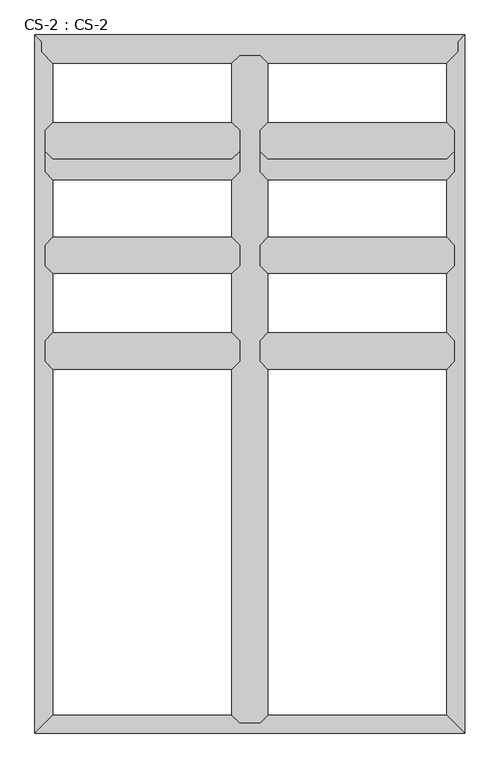
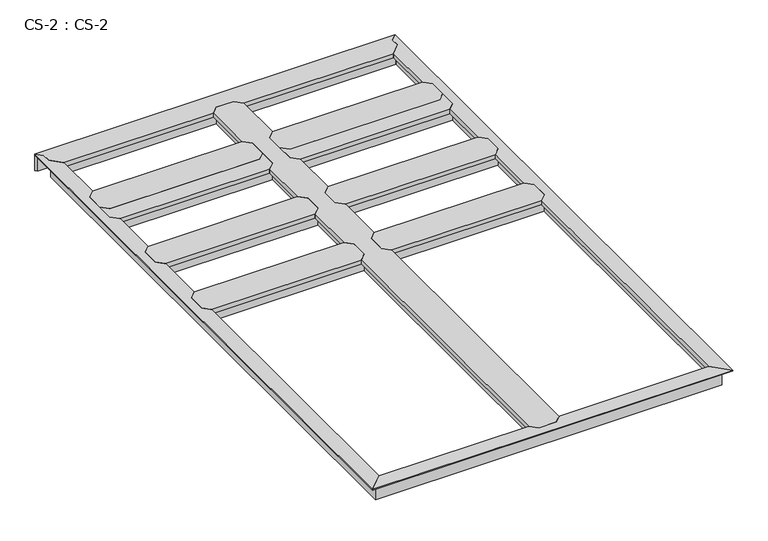
"""IFC4 building model written with IfcOpenShell, lengths in millimetres: proxy geometry, CS-2 : CS-2."""

from ifc_helpers import new_model, si_unit, origin, place, context, project, spatial, faceted_brep, source, transform, mapped, element, save


def cs_2_cs_2_592bdc52(model_context):
    return source(origin(), model_context, "Body", "Brep", [
        faceted_brep([(1338.5802032, 1856.74, 46.355), (1338.5802032, 1856.74, 0.0), (1338.5802032, 1863.725, 0.0), (1338.5802032, 1863.725, 63.5), (1338.5802032, 1915.795, 63.5), (1338.5802032, 1915.795, 0.0), (1338.5802032, 1922.78, 0.0), (1338.5802032, 1922.78, 46.355), (1338.5802032, 1922.78, 66.675), (1338.5802032, 1856.74, 66.675), (718.8208941, 1922.78, 46.355), (718.8208941, 1922.78, 0.0), (718.8208941, 1915.795, 0.0), (718.8208941, 1915.795, 63.5), (718.8208941, 1863.725, 63.5), (718.8208941, 1863.725, 0.0), (718.8208941, 1856.74, 0.0), (718.8208941, 1856.74, 46.355), (718.8208941, 1856.74, 66.675), (718.8208941, 1922.78, 66.675), (743.4588941, 1947.418, 66.675), (1313.9422032, 1947.418, 66.675), (1313.9422032, 1947.418, 49.8094), (743.4588941, 1947.418, 49.8094), (1315.4662032, 1945.894, 49.8094), (741.9348941, 1945.894, 49.8094), (1315.4662032, 1945.894, 64.643), (741.9348941, 1945.894, 64.643), (1325.7532032, 1935.607, 64.643), (731.6478941, 1935.607, 64.643), (1325.7532032, 1935.607, 46.355), (731.6478941, 1935.607, 46.355), (1325.7532032, 1843.913, 46.355), (731.6478941, 1843.913, 46.355), (1325.7532032, 1843.913, 64.643), (731.6478941, 1843.913, 64.643), (1315.4662032, 1833.626, 64.643), (741.9348941, 1833.626, 64.643), (1315.4662032, 1833.626, 49.8094), (741.9348941, 1833.626, 49.8094), (1313.9422032, 1832.102, 49.8094), (743.4588941, 1832.102, 49.8094), (1313.9422032, 1832.102, 66.675), (743.4588941, 1832.102, 66.675)], [[[0, 1, 2, 3, 4, 5, 6, 7, 8, 9]], [[10, 11, 12, 13, 14, 15, 16, 17, 18, 19]], [[20, 21, 22, 23]], [[23, 22, 24, 25]], [[25, 24, 26, 27]], [[27, 26, 28, 29]], [[29, 28, 30, 31]], [[7, 10, 31, 30]], [[7, 6, 11, 10]], [[6, 5, 12, 11]], [[5, 4, 13, 12]], [[4, 3, 14, 13]], [[3, 2, 15, 14]], [[2, 1, 16, 15]], [[1, 0, 17, 16]], [[17, 0, 32, 33]], [[33, 32, 34, 35]], [[35, 34, 36, 37]], [[37, 36, 38, 39]], [[39, 38, 40, 41]], [[41, 40, 42, 43]], [[9, 8, 21, 20, 19, 18, 43, 42]], [[10, 19, 20, 23, 25, 27, 29, 31]], [[18, 17, 33, 35, 37, 39, 41, 43]], [[0, 9, 42, 40, 38, 36, 34, 32]], [[8, 7, 30, 28, 26, 24, 22, 21]]]),
        faceted_brep([(652.7808941, 1856.74, 46.355), (652.7808941, 1856.74, 0.0), (652.7808941, 1863.725, 0.0), (652.7808941, 1863.725, 63.5), (652.7808941, 1915.795, 63.5), (652.7808941, 1915.795, 0.0), (652.7808941, 1922.78, 0.0), (652.7808941, 1922.78, 46.355), (652.7808941, 1922.78, 66.675), (652.7808941, 1856.74, 66.675), (33.02, 1922.78, 46.355), (33.02, 1922.78, 0.0), (33.02, 1915.795, 0.0), (33.02, 1915.795, 63.5), (33.02, 1863.725, 63.5), (33.02, 1863.725, 0.0), (33.02, 1856.74, 0.0), (33.02, 1856.74, 46.355), (33.02, 1856.74, 66.675), (33.02, 1922.78, 66.675), (57.658, 1947.418, 66.675), (628.1428941, 1947.418, 66.675), (628.1428941, 1947.418, 49.8094), (57.658, 1947.418, 49.8094), (629.6668941, 1945.894, 49.8094), (56.134, 1945.894, 49.8094), (629.6668941, 1945.894, 64.643), (56.134, 1945.894, 64.643), (639.9538941, 1935.607, 64.643), (45.847, 1935.607, 64.643), (639.9538941, 1935.607, 46.355), (45.847, 1935.607, 46.355), (639.9538941, 1843.913, 46.355), (45.847, 1843.913, 46.355), (639.9538941, 1843.913, 64.643), (45.847, 1843.913, 64.643), (629.6668941, 1833.626, 64.643), (56.134, 1833.626, 64.643), (629.6668941, 1833.626, 49.8094), (56.134, 1833.626, 49.8094), (628.1428941, 1832.102, 49.8094), (57.658, 1832.102, 49.8094), (628.1428941, 1832.102, 66.675), (57.658, 1832.102, 66.675)], [[[0, 1, 2, 3, 4, 5, 6, 7, 8, 9]], [[10, 11, 12, 13, 14, 15, 16, 17, 18, 19]], [[20, 21, 22, 23]], [[23, 22, 24, 25]], [[25, 24, 26, 27]], [[27, 26, 28, 29]], [[29, 28, 30, 31]], [[7, 10, 31, 30]], [[7, 6, 11, 10]], [[6, 5, 12, 11]], [[5, 4, 13, 12]], [[4, 3, 14, 13]], [[3, 2, 15, 14]], [[2, 1, 16, 15]], [[1, 0, 17, 16]], [[17, 0, 32, 33]], [[33, 32, 34, 35]], [[35, 34, 36, 37]], [[37, 36, 38, 39]], [[39, 38, 40, 41]], [[41, 40, 42, 43]], [[9, 8, 21, 20, 19, 18, 43, 42]], [[10, 19, 20, 23, 25, 27, 29, 31]], [[18, 17, 33, 35, 37, 39, 41, 43]], [[0, 9, 42, 40, 38, 36, 34, 32]], [[8, 7, 30, 28, 26, 24, 22, 21]]]),
        faceted_brep([(1338.5802032, 1790.7, 46.355), (1338.5802032, 1790.7, 0.0), (1338.5802032, 1797.685, 0.0), (1338.5802032, 1797.685, 63.5), (1338.5802032, 1849.755, 63.5), (1338.5802032, 1849.755, 0.0), (1338.5802032, 1856.74, 0.0), (1338.5802032, 1856.74, 46.355), (1338.5802032, 1856.74, 66.675), (1338.5802032, 1790.7, 66.675), (718.8208941, 1856.74, 46.355), (718.8208941, 1856.74, 0.0), (718.8208941, 1849.755, 0.0), (718.8208941, 1849.755, 63.5), (718.8208941, 1797.685, 63.5), (718.8208941, 1797.685, 0.0), (718.8208941, 1790.7, 0.0), (718.8208941, 1790.7, 46.355), (718.8208941, 1790.7, 66.675), (718.8208941, 1856.74, 66.675), (743.4588941, 1881.378, 66.675), (1313.9422032, 1881.378, 66.675), (1313.9422032, 1881.378, 49.8094), (743.4588941, 1881.378, 49.8094), (1315.4662032, 1879.854, 49.8094), (741.9348941, 1879.854, 49.8094), (1315.4662032, 1879.854, 64.643), (741.9348941, 1879.854, 64.643), (1325.7532032, 1869.567, 64.643), (731.6478941, 1869.567, 64.643), (1325.7532032, 1869.567, 46.355), (731.6478941, 1869.567, 46.355), (1325.7532032, 1777.873, 46.355), (731.6478941, 1777.873, 46.355), (1325.7532032, 1777.873, 64.643), (731.6478941, 1777.873, 64.643), (1315.4662032, 1767.586, 64.643), (741.9348941, 1767.586, 64.643), (1315.4662032, 1767.586, 49.8094), (741.9348941, 1767.586, 49.8094), (1313.9422032, 1766.062, 49.8094), (743.4588941, 1766.062, 49.8094), (1313.9422032, 1766.062, 66.675), (743.4588941, 1766.062, 66.675)], [[[0, 1, 2, 3, 4, 5, 6, 7, 8, 9]], [[10, 11, 12, 13, 14, 15, 16, 17, 18, 19]], [[20, 21, 22, 23]], [[23, 22, 24, 25]], [[25, 24, 26, 27]], [[27, 26, 28, 29]], [[29, 28, 30, 31]], [[7, 10, 31, 30]], [[7, 6, 11, 10]], [[6, 5, 12, 11]], [[5, 4, 13, 12]], [[4, 3, 14, 13]], [[3, 2, 15, 14]], [[2, 1, 16, 15]], [[1, 0, 17, 16]], [[17, 0, 32, 33]], [[33, 32, 34, 35]], [[35, 34, 36, 37]], [[37, 36, 38, 39]], [[39, 38, 40, 41]], [[41, 40, 42, 43]], [[9, 8, 21, 20, 19, 18, 43, 42]], [[10, 19, 20, 23, 25, 27, 29, 31]], [[18, 17, 33, 35, 37, 39, 41, 43]], [[0, 9, 42, 40, 38, 36, 34, 32]], [[8, 7, 30, 28, 26, 24, 22, 21]]]),
        faceted_brep([(652.7808941, 1790.7, 46.355), (652.7808941, 1790.7, 0.0), (652.7808941, 1797.685, 0.0), (652.7808941, 1797.685, 63.5), (652.7808941, 1849.755, 63.5), (652.7808941, 1849.755, 0.0), (652.7808941, 1856.74, 0.0), (652.7808941, 1856.74, 46.355), (652.7808941, 1856.74, 66.675), (652.7808941, 1790.7, 66.675), (33.02, 1856.74, 46.355), (33.02, 1856.74, 0.0), (33.02, 1849.755, 0.0), (33.02, 1849.755, 63.5), (33.02, 1797.685, 63.5), (33.02, 1797.685, 0.0), (33.02, 1790.7, 0.0), (33.02, 1790.7, 46.355), (33.02, 1790.7, 66.675), (33.02, 1856.74, 66.675), (57.658, 1881.378, 66.675), (628.1428941, 1881.378, 66.675), (628.1428941, 1881.378, 49.8094), (57.658, 1881.378, 49.8094), (629.6668941, 1879.854, 49.8094), (56.134, 1879.854, 49.8094), (629.6668941, 1879.854, 64.643), (56.134, 1879.854, 64.643), (639.9538941, 1869.567, 64.643), (45.847, 1869.567, 64.643), (639.9538941, 1869.567, 46.355), (45.847, 1869.567, 46.355), (639.9538941, 1777.873, 46.355), (45.847, 1777.873, 46.355), (639.9538941, 1777.873, 64.643), (45.847, 1777.873, 64.643), (629.6668941, 1767.586, 64.643), (56.134, 1767.586, 64.643), (629.6668941, 1767.586, 49.8094), (56.134, 1767.586, 49.8094), (628.1428941, 1766.062, 49.8094), (57.658, 1766.062, 49.8094), (628.1428941, 1766.062, 66.675), (57.658, 1766.062, 66.675)], [[[0, 1, 2, 3, 4, 5, 6, 7, 8, 9]], [[10, 11, 12, 13, 14, 15, 16, 17, 18, 19]], [[20, 21, 22, 23]], [[23, 22, 24, 25]], [[25, 24, 26, 27]], [[27, 26, 28, 29]], [[29, 28, 30, 31]], [[7, 10, 31, 30]], [[7, 6, 11, 10]], [[6, 5, 12, 11]], [[5, 4, 13, 12]], [[4, 3, 14, 13]], [[3, 2, 15, 14]], [[2, 1, 16, 15]], [[1, 0, 17, 16]], [[17, 0, 32, 33]], [[33, 32, 34, 35]], [[35, 34, 36, 37]], [[37, 36, 38, 39]], [[39, 38, 40, 41]], [[41, 40, 42, 43]], [[9, 8, 21, 20, 19, 18, 43, 42]], [[10, 19, 20, 23, 25, 27, 29, 31]], [[18, 17, 33, 35, 37, 39, 41, 43]], [[0, 9, 42, 40, 38, 36, 34, 32]], [[8, 7, 30, 28, 26, 24, 22, 21]]]),
        faceted_brep([(1338.5802032, 1490.98, 46.355), (1338.5802032, 1490.98, 0.0), (1338.5802032, 1497.965, 0.0), (1338.5802032, 1497.965, 63.5), (1338.5802032, 1550.035, 63.5), (1338.5802032, 1550.035, 0.0), (1338.5802032, 1557.02, 0.0), (1338.5802032, 1557.02, 46.355), (1338.5802032, 1557.02, 66.675), (1338.5802032, 1490.98, 66.675), (718.8208941, 1557.02, 46.355), (718.8208941, 1557.02, 0.0), (718.8208941, 1550.035, 0.0), (718.8208941, 1550.035, 63.5), (718.8208941, 1497.965, 63.5), (718.8208941, 1497.965, 0.0), (718.8208941, 1490.98, 0.0), (718.8208941, 1490.98, 46.355), (718.8208941, 1490.98, 66.675), (718.8208941, 1557.02, 66.675), (743.4588941, 1581.658, 66.675), (1313.9422032, 1581.658, 66.675), (1313.9422032, 1581.658, 49.8094), (743.4588941, 1581.658, 49.8094), (1315.4662032, 1580.134, 49.8094), (741.9348941, 1580.134, 49.8094), (1315.4662032, 1580.134, 64.643), (741.9348941, 1580.134, 64.643), (1325.7532032, 1569.847, 64.643), (731.6478941, 1569.847, 64.643), (1325.7532032, 1569.847, 46.355), (731.6478941, 1569.847, 46.355), (1325.7532032, 1478.153, 46.355), (731.6478941, 1478.153, 46.355), (1325.7532032, 1478.153, 64.643), (731.6478941, 1478.153, 64.643), (1315.4662032, 1467.866, 64.643), (741.9348941, 1467.866, 64.643), (1315.4662032, 1467.866, 49.8094), (741.9348941, 1467.866, 49.8094), (1313.9422032, 1466.342, 49.8094), (743.4588941, 1466.342, 49.8094), (1313.9422032, 1466.342, 66.675), (743.4588941, 1466.342, 66.675)], [[[0, 1, 2, 3, 4, 5, 6, 7, 8, 9]], [[10, 11, 12, 13, 14, 15, 16, 17, 18, 19]], [[20, 21, 22, 23]], [[23, 22, 24, 25]], [[25, 24, 26, 27]], [[27, 26, 28, 29]], [[29, 28, 30, 31]], [[7, 10, 31, 30]], [[7, 6, 11, 10]], [[6, 5, 12, 11]], [[5, 4, 13, 12]], [[4, 3, 14, 13]], [[3, 2, 15, 14]], [[2, 1, 16, 15]], [[1, 0, 17, 16]], [[17, 0, 32, 33]], [[33, 32, 34, 35]], [[35, 34, 36, 37]], [[37, 36, 38, 39]], [[39, 38, 40, 41]], [[41, 40, 42, 43]], [[9, 8, 21, 20, 19, 18, 43, 42]], [[10, 19, 20, 23, 25, 27, 29, 31]], [[18, 17, 33, 35, 37, 39, 41, 43]], [[0, 9, 42, 40, 38, 36, 34, 32]], [[8, 7, 30, 28, 26, 24, 22, 21]]]),
        faceted_brep([(652.7808941, 1490.98, 46.355), (652.7808941, 1490.98, 0.0), (652.7808941, 1497.965, 0.0), (652.7808941, 1497.965, 63.5), (652.7808941, 1550.035, 63.5), (652.7808941, 1550.035, 0.0), (652.7808941, 1557.02, 0.0), (652.7808941, 1557.02, 46.355), (652.7808941, 1557.02, 66.675), (652.7808941, 1490.98, 66.675), (33.02, 1557.02, 46.355), (33.02, 1557.02, 0.0), (33.02, 1550.035, 0.0), (33.02, 1550.035, 63.5), (33.02, 1497.965, 63.5), (33.02, 1497.965, 0.0), (33.02, 1490.98, 0.0), (33.02, 1490.98, 46.355), (33.02, 1490.98, 66.675), (33.02, 1557.02, 66.675), (57.658, 1581.658, 66.675), (628.1428941, 1581.658, 66.675), (628.1428941, 1581.658, 49.8094), (57.658, 1581.658, 49.8094), (629.6668941, 1580.134, 49.8094), (56.134, 1580.134, 49.8094), (629.6668941, 1580.134, 64.643), (56.134, 1580.134, 64.643), (639.9538941, 1569.847, 64.643), (45.847, 1569.847, 64.643), (639.9538941, 1569.847, 46.355), (45.847, 1569.847, 46.355), (639.9538941, 1478.153, 46.355), (45.847, 1478.153, 46.355), (639.9538941, 1478.153, 64.643), (45.847, 1478.153, 64.643), (629.6668941, 1467.866, 64.643), (56.134, 1467.866, 64.643), (629.6668941, 1467.866, 49.8094), (56.134, 1467.866, 49.8094), (628.1428941, 1466.342, 49.8094), (57.658, 1466.342, 49.8094), (628.1428941, 1466.342, 66.675), (57.658, 1466.342, 66.675)], [[[0, 1, 2, 3, 4, 5, 6, 7, 8, 9]], [[10, 11, 12, 13, 14, 15, 16, 17, 18, 19]], [[20, 21, 22, 23]], [[23, 22, 24, 25]], [[25, 24, 26, 27]], [[27, 26, 28, 29]], [[29, 28, 30, 31]], [[7, 10, 31, 30]], [[7, 6, 11, 10]], [[6, 5, 12, 11]], [[5, 4, 13, 12]], [[4, 3, 14, 13]], [[3, 2, 15, 14]], [[2, 1, 16, 15]], [[1, 0, 17, 16]], [[17, 0, 32, 33]], [[33, 32, 34, 35]], [[35, 34, 36, 37]], [[37, 36, 38, 39]], [[39, 38, 40, 41]], [[41, 40, 42, 43]], [[9, 8, 21, 20, 19, 18, 43, 42]], [[10, 19, 20, 23, 25, 27, 29, 31]], [[18, 17, 33, 35, 37, 39, 41, 43]], [[0, 9, 42, 40, 38, 36, 34, 32]], [[8, 7, 30, 28, 26, 24, 22, 21]]]),
        faceted_brep([(1338.5802032, 1186.1800292, 46.355), (1338.5802032, 1186.1800292, 0.0), (1338.5802032, 1193.1650292, 0.0), (1338.5802032, 1193.1650292, 63.5), (1338.5802032, 1245.2350292, 63.5), (1338.5802032, 1245.2350292, 0.0), (1338.5802032, 1252.2200292, 0.0), (1338.5802032, 1252.2200292, 46.355), (1338.5802032, 1252.2200292, 66.675), (1338.5802032, 1186.1800292, 66.675), (718.8208941, 1252.2200292, 46.355), (718.8208941, 1252.2200292, 0.0), (718.8208941, 1245.2350292, 0.0), (718.8208941, 1245.2350292, 63.5), (718.8208941, 1193.1650292, 63.5), (718.8208941, 1193.1650292, 0.0), (718.8208941, 1186.1800292, 0.0), (718.8208941, 1186.1800292, 46.355), (718.8208941, 1186.1800292, 66.675), (718.8208941, 1252.2200292, 66.675), (743.4588941, 1276.8580292, 66.675), (1313.9422032, 1276.8580292, 66.675), (1313.9422032, 1276.8580292, 49.8094), (743.4588941, 1276.8580292, 49.8094), (1315.4662032, 1275.3340292, 49.8094), (741.9348941, 1275.3340292, 49.8094), (1315.4662032, 1275.3340292, 64.643), (741.9348941, 1275.3340292, 64.643), (1325.7532032, 1265.0470292, 64.643), (731.6478941, 1265.0470292, 64.643), (1325.7532032, 1265.0470292, 46.355), (731.6478941, 1265.0470292, 46.355), (1325.7532032, 1173.3530292, 46.355), (731.6478941, 1173.3530292, 46.355), (1325.7532032, 1173.3530292, 64.643), (731.6478941, 1173.3530292, 64.643), (1315.4662032, 1163.0660292, 64.643), (741.9348941, 1163.0660292, 64.643), (1315.4662032, 1163.0660292, 49.8094), (741.9348941, 1163.0660292, 49.8094), (1313.9422032, 1161.5420292, 49.8094), (743.4588941, 1161.5420292, 49.8094), (1313.9422032, 1161.5420292, 66.675), (743.4588941, 1161.5420292, 66.675)], [[[0, 1, 2, 3, 4, 5, 6, 7, 8, 9]], [[10, 11, 12, 13, 14, 15, 16, 17, 18, 19]], [[20, 21, 22, 23]], [[23, 22, 24, 25]], [[25, 24, 26, 27]], [[27, 26, 28, 29]], [[29, 28, 30, 31]], [[7, 10, 31, 30]], [[7, 6, 11, 10]], [[6, 5, 12, 11]], [[5, 4, 13, 12]], [[4, 3, 14, 13]], [[3, 2, 15, 14]], [[2, 1, 16, 15]], [[1, 0, 17, 16]], [[17, 0, 32, 33]], [[33, 32, 34, 35]], [[35, 34, 36, 37]], [[37, 36, 38, 39]], [[39, 38, 40, 41]], [[41, 40, 42, 43]], [[9, 8, 21, 20, 19, 18, 43, 42]], [[10, 19, 20, 23, 25, 27, 29, 31]], [[18, 17, 33, 35, 37, 39, 41, 43]], [[0, 9, 42, 40, 38, 36, 34, 32]], [[8, 7, 30, 28, 26, 24, 22, 21]]]),
        faceted_brep([(652.7808941, 1186.1800292, 46.355), (652.7808941, 1186.1800292, 0.0), (652.7808941, 1193.1650292, 0.0), (652.7808941, 1193.1650292, 63.5), (652.7808941, 1245.2350292, 63.5), (652.7808941, 1245.2350292, 0.0), (652.7808941, 1252.2200292, 0.0), (652.7808941, 1252.2200292, 46.355), (652.7808941, 1252.2200292, 66.675), (652.7808941, 1186.1800292, 66.675), (33.02, 1252.2200292, 46.355), (33.02, 1252.2200292, 0.0), (33.02, 1245.2350292, 0.0), (33.02, 1245.2350292, 63.5), (33.02, 1193.1650292, 63.5), (33.02, 1193.1650292, 0.0), (33.02, 1186.1800292, 0.0), (33.02, 1186.1800292, 46.355), (33.02, 1186.1800292, 66.675), (33.02, 1252.2200292, 66.675), (57.658, 1276.8580292, 66.675), (628.1428941, 1276.8580292, 66.675), (628.1428941, 1276.8580292, 49.8094), (57.658, 1276.8580292, 49.8094), (629.6668941, 1275.3340292, 49.8094), (56.134, 1275.3340292, 49.8094), (629.6668941, 1275.3340292, 64.643), (56.134, 1275.3340292, 64.643), (639.9538941, 1265.0470292, 64.643), (45.847, 1265.0470292, 64.643), (639.9538941, 1265.0470292, 46.355), (45.847, 1265.0470292, 46.355), (639.9538941, 1173.3530292, 46.355), (45.847, 1173.3530292, 46.355), (639.9538941, 1173.3530292, 64.643), (45.847, 1173.3530292, 64.643), (629.6668941, 1163.0660292, 64.643), (56.134, 1163.0660292, 64.643), (629.6668941, 1163.0660292, 49.8094), (56.134, 1163.0660292, 49.8094), (628.1428941, 1161.5420292, 49.8094), (57.658, 1161.5420292, 49.8094), (628.1428941, 1161.5420292, 66.675), (57.658, 1161.5420292, 66.675)], [[[0, 1, 2, 3, 4, 5, 6, 7, 8, 9]], [[10, 11, 12, 13, 14, 15, 16, 17, 18, 19]], [[20, 21, 22, 23]], [[23, 22, 24, 25]], [[25, 24, 26, 27]], [[27, 26, 28, 29]], [[29, 28, 30, 31]], [[7, 10, 31, 30]], [[7, 6, 11, 10]], [[6, 5, 12, 11]], [[5, 4, 13, 12]], [[4, 3, 14, 13]], [[3, 2, 15, 14]], [[2, 1, 16, 15]], [[1, 0, 17, 16]], [[17, 0, 32, 33]], [[33, 32, 34, 35]], [[35, 34, 36, 37]], [[37, 36, 38, 39]], [[39, 38, 40, 41]], [[41, 40, 42, 43]], [[9, 8, 21, 20, 19, 18, 43, 42]], [[10, 19, 20, 23, 25, 27, 29, 31]], [[18, 17, 33, 35, 37, 39, 41, 43]], [[0, 9, 42, 40, 38, 36, 34, 32]], [[8, 7, 30, 28, 26, 24, 22, 21]]]),
        faceted_brep([(718.8208941, 2161.54, 46.355), (718.8208941, 2161.54, 0.0), (711.8358941, 2161.54, 0.0), (711.8358941, 2161.54, 63.5), (659.7658941, 2161.54, 63.5), (659.7658941, 2161.54, 0.0), (652.7808941, 2161.54, 0.0), (652.7808941, 2161.54, 46.355), (652.7808941, 2161.54, 66.675), (718.8208941, 2161.54, 66.675), (652.7808941, 33.02, 46.355), (652.7808941, 33.02, 0.0), (659.7658941, 33.02, 0.0), (659.7658941, 33.02, 63.5), (711.8358941, 33.02, 63.5), (711.8358941, 33.02, 0.0), (718.8208941, 33.02, 0.0), (718.8208941, 33.02, 46.355), (718.8208941, 33.02, 66.675), (652.7808941, 33.02, 66.675), (628.1428941, 57.658, 49.8094), (628.1428941, 57.658, 66.675), (628.1428941, 1161.542, 66.675), (628.1428941, 1161.542, 49.8094), (628.1428941, 2136.902, 66.675), (628.1428941, 2136.902, 49.8094), (628.1428941, 1947.418, 49.8094), (628.1428941, 1947.418, 66.675), (628.1428941, 1276.858, 49.8094), (628.1428941, 1276.858, 66.675), (628.1428941, 1466.342, 66.675), (628.1428941, 1466.342, 49.8094), (628.1428941, 1581.658, 49.8094), (628.1428941, 1581.658, 66.675), (628.1428941, 1766.062, 66.675), (628.1428941, 1766.062, 49.8094), (629.6668941, 56.134, 49.8094), (629.6668941, 1163.066, 49.8094), (629.6668941, 2138.426, 49.8094), (629.6668941, 1945.894, 49.8094), (629.6668941, 1275.334, 49.8094), (629.6668941, 1467.866, 49.8094), (629.6668941, 1580.134, 49.8094), (629.6668941, 1767.586, 49.8094), (629.6668941, 56.134, 64.643), (629.6668941, 1163.066, 64.643), (629.6668941, 2138.426, 64.643), (629.6668941, 1945.894, 64.643), (629.6668941, 1275.334, 64.643), (629.6668941, 1467.866, 64.643), (629.6668941, 1580.134, 64.643), (629.6668941, 1767.586, 64.643), (639.9538941, 45.847, 64.643), (639.9538941, 1173.353, 64.643), (639.9538941, 2148.713, 64.643), (639.9538941, 1935.607, 64.643), (639.9538941, 1265.047, 64.643), (639.9538941, 1478.153, 64.643), (639.9538941, 1569.847, 64.643), (639.9538941, 1777.873, 64.643), (639.9538941, 45.847, 46.355), (639.9538941, 1173.353, 46.355), (639.9538941, 2148.713, 46.355), (639.9538941, 1935.607, 46.355), (639.9538941, 1265.047, 46.355), (639.9538941, 1478.153, 46.355), (639.9538941, 1569.847, 46.355), (639.9538941, 1777.873, 46.355), (652.7808941, 1186.18, 46.355), (652.7808941, 1922.78, 46.355), (652.7808941, 1252.22, 46.355), (652.7808941, 1490.98, 46.355), (652.7808941, 1557.02, 46.355), (652.7808941, 1790.7, 46.355), (652.7808941, 1186.18, 66.675), (652.7808941, 1252.22, 66.675), (652.7808941, 1490.98, 66.675), (652.7808941, 1557.02, 66.675), (652.7808941, 1790.7, 66.675), (652.7808941, 1922.78, 66.675), (718.8208941, 1922.78, 46.355), (718.8208941, 1922.78, 66.675), (718.8208941, 1790.7, 66.675), (718.8208941, 1790.7, 46.355), (718.8208941, 1557.02, 46.355), (718.8208941, 1557.02, 66.675), (718.8208941, 1490.98, 66.675), (718.8208941, 1490.98, 46.355), (718.8208941, 1252.2200292, 46.355), (718.8208941, 1252.2200292, 66.675), (718.8208941, 1186.18, 66.675), (718.8208941, 1186.18, 46.355), (731.6478941, 45.847, 46.355), (731.6478941, 1173.3530152, 46.355), (731.6478941, 2148.713, 46.355), (731.6478941, 1935.607, 46.355), (731.6478941, 1265.0470292, 46.355), (731.6478941, 1478.153, 46.355), (731.6478941, 1569.847, 46.355), (731.6478941, 1777.873, 46.355), (731.6478941, 45.847, 64.643), (731.6478941, 1173.3530152, 64.643), (731.6478941, 2148.713, 64.643), (731.6478941, 1935.607, 64.643), (731.6478941, 1265.0470292, 64.643), (731.6478941, 1478.153, 64.643), (731.6478941, 1569.847, 64.643), (731.6478941, 1777.873, 64.643), (741.9348941, 56.134, 64.643), (741.9348941, 1163.0660274, 64.643), (741.9348941, 2138.426, 64.643), (741.9348941, 1945.894, 64.643), (741.9348941, 1275.3340292, 64.643), (741.9348941, 1467.866, 64.643), (741.9348941, 1580.134, 64.643), (741.9348941, 1767.586, 64.643), (741.9348941, 56.134, 49.8094), (741.9348941, 1163.0660274, 49.8094), (741.9348941, 2138.426, 49.8094), (741.9348941, 1945.894, 49.8094), (741.9348941, 1275.3340292, 49.8094), (741.9348941, 1467.866, 49.8094), (741.9348941, 1580.134, 49.8094), (741.9348941, 1767.586, 49.8094), (743.4588941, 57.658, 49.8094), (743.4588941, 1161.5420292, 49.8094), (743.4588941, 2136.902, 49.8094), (743.4588941, 1947.418, 49.8094), (743.4588941, 1276.8580292, 49.8094), (743.4588941, 1466.342, 49.8094), (743.4588941, 1581.658, 49.8094), (743.4588941, 1766.062, 49.8094), (743.4588941, 57.658, 66.675), (743.4588941, 1161.5420292, 66.675), (743.4588941, 2136.902, 66.675), (743.4588941, 1947.418, 66.675), (743.4588941, 1276.8580292, 66.675), (743.4588941, 1466.342, 66.675), (743.4588941, 1581.658, 66.675), (743.4588941, 1766.062, 66.675)], [[[0, 1, 2, 3, 4, 5, 6, 7, 8, 9]], [[10, 11, 12, 13, 14, 15, 16, 17, 18, 19]], [[20, 21, 22, 23]], [[24, 25, 26, 27]], [[28, 29, 30, 31]], [[32, 33, 34, 35]], [[36, 20, 23, 37]], [[25, 38, 39, 26]], [[40, 28, 31, 41]], [[42, 32, 35, 43]], [[44, 36, 37, 45]], [[38, 46, 47, 39]], [[48, 40, 41, 49]], [[50, 42, 43, 51]], [[52, 44, 45, 53]], [[46, 54, 55, 47]], [[56, 48, 49, 57]], [[58, 50, 51, 59]], [[60, 52, 53, 61]], [[54, 62, 63, 55]], [[64, 56, 57, 65]], [[66, 58, 59, 67]], [[10, 60, 61, 68]], [[62, 7, 69, 63]], [[70, 64, 65, 71]], [[72, 66, 67, 73]], [[7, 6, 11, 10, 68, 74, 75, 70, 71, 76, 77, 72, 73, 78, 79, 69]], [[6, 5, 12, 11]], [[5, 4, 13, 12]], [[4, 3, 14, 13]], [[3, 2, 15, 14]], [[2, 1, 16, 15]], [[1, 0, 80, 81, 82, 83, 84, 85, 86, 87, 88, 89, 90, 91, 17, 16]], [[92, 17, 91, 93]], [[0, 94, 95, 80]], [[96, 88, 87, 97]], [[98, 84, 83, 99]], [[100, 92, 93, 101]], [[94, 102, 103, 95]], [[104, 96, 97, 105]], [[106, 98, 99, 107]], [[108, 100, 101, 109]], [[102, 110, 111, 103]], [[112, 104, 105, 113]], [[114, 106, 107, 115]], [[116, 108, 109, 117]], [[110, 118, 119, 111]], [[120, 112, 113, 121]], [[122, 114, 115, 123]], [[124, 116, 117, 125]], [[118, 126, 127, 119]], [[128, 120, 121, 129]], [[130, 122, 123, 131]], [[132, 124, 125, 133]], [[126, 134, 135, 127]], [[136, 128, 129, 137]], [[138, 130, 131, 139]], [[9, 8, 24, 27, 79, 78, 34, 33, 77, 76, 30, 29, 75, 74, 22, 21, 19, 18, 132, 133, 90, 89, 136, 137, 86, 85, 138, 139, 82, 81, 135, 134]], [[10, 19, 21, 20, 36, 44, 52, 60]], [[18, 17, 92, 100, 108, 116, 124, 132]], [[0, 9, 134, 126, 118, 110, 102, 94]], [[8, 7, 62, 54, 46, 38, 25, 24]], [[74, 68, 61, 53, 45, 37, 23, 22]], [[70, 75, 29, 28, 40, 48, 56, 64]], [[76, 71, 65, 57, 49, 41, 31, 30]], [[72, 77, 33, 32, 42, 50, 58, 66]], [[78, 73, 67, 59, 51, 43, 35, 34]], [[69, 79, 27, 26, 39, 47, 55, 63]], [[89, 88, 96, 104, 112, 120, 128, 136]], [[91, 90, 133, 125, 117, 109, 101, 93]], [[85, 84, 98, 106, 114, 122, 130, 138]], [[87, 86, 137, 129, 121, 113, 105, 97]], [[83, 82, 139, 131, 123, 115, 107, 99]], [[81, 80, 95, 103, 111, 119, 127, 135]]]),
        faceted_brep([(0.0, 0.0, 66.675), (1371.6002032, 0.0, 66.675), (1313.9422032, 57.658, 66.675), (743.4588941, 57.658, 66.675), (718.8208941, 33.02, 66.675), (652.7808941, 33.02, 66.675), (628.1428941, 57.658, 66.675), (57.658, 57.658, 66.675), (0.0, 0.0, 63.5), (1371.6002032, 0.0, 63.5), (26.035, 26.035, 63.5), (1345.5652032, 26.035, 63.5), (1345.5652032, 26.035, 0.0), (26.035, 26.035, 0.0), (33.02, 33.02, 0.0), (1338.5802032, 33.02, 0.0), (1338.5802032, 33.02, 46.355), (33.02, 33.02, 46.355), (652.7808941, 33.02, 46.355), (718.8208941, 33.02, 46.355), (1325.7532032, 45.847, 46.355), (731.6478941, 45.847, 46.355), (45.847, 45.847, 46.355), (639.9538941, 45.847, 46.355), (1325.7532032, 45.847, 64.643), (731.6478941, 45.847, 64.643), (45.847, 45.847, 64.643), (639.9538941, 45.847, 64.643), (1315.4662032, 56.134, 64.643), (741.9348941, 56.134, 64.643), (56.134, 56.134, 64.643), (629.6668941, 56.134, 64.643), (1315.4662032, 56.134, 49.8094), (741.9348941, 56.134, 49.8094), (56.134, 56.134, 49.8094), (629.6668941, 56.134, 49.8094), (1313.9422032, 57.658, 49.8094), (743.4588941, 57.658, 49.8094), (57.658, 57.658, 49.8094), (628.1428941, 57.658, 49.8094)], [[[0, 1, 2, 3, 4, 5, 6, 7]], [[1, 0, 8, 9]], [[9, 8, 10, 11]], [[12, 11, 10, 13]], [[14, 15, 12, 13]], [[16, 15, 14, 17, 18, 5, 4, 19]], [[20, 16, 19, 21]], [[17, 22, 23, 18]], [[24, 20, 21, 25]], [[22, 26, 27, 23]], [[28, 24, 25, 29]], [[26, 30, 31, 27]], [[32, 28, 29, 33]], [[30, 34, 35, 31]], [[36, 32, 33, 37]], [[34, 38, 39, 35]], [[2, 36, 37, 3]], [[38, 7, 6, 39]], [[2, 1, 9, 11, 12, 15, 16, 20, 24, 28, 32, 36]], [[0, 7, 38, 34, 30, 26, 22, 17, 14, 13, 10, 8]], [[5, 18, 23, 27, 31, 35, 39, 6]], [[19, 4, 3, 37, 33, 29, 25, 21]]]),
        faceted_brep([(1371.6002032, 0.0, 66.675), (1371.6002032, 2227.58, 66.675), (1350.0102032, 2205.99, 66.675), (1350.0102032, 2174.24, 66.675), (1313.9422032, 2136.902, 66.675), (1313.9422032, 1947.418, 66.675), (1338.5802032, 1922.78, 66.675), (1338.5802032, 1790.7, 66.675), (1313.9422032, 1766.062, 66.675), (1313.9422032, 1581.658, 66.675), (1338.5802032, 1557.02, 66.675), (1338.5802032, 1490.98, 66.675), (1313.9422032, 1466.342, 66.675), (1313.9422032, 1276.8580292, 66.675), (1338.5802032, 1252.2200292, 66.675), (1338.5802032, 1186.1800292, 66.675), (1313.9422032, 1161.5420292, 66.675), (1313.9422032, 57.658, 66.675), (1371.6002032, 0.0, 63.5), (1371.6002032, 2227.58, 63.5), (1345.5652032, 26.035, 63.5), (1345.5652032, 2169.6384859, 63.5), (1350.0102032, 2174.24, 63.5), (1350.0102032, 2205.99, 63.5), (1345.5652032, 2169.6384859, 0.0), (1345.5652032, 26.035, 0.0), (1338.5802032, 33.02, 0.0), (1338.5802032, 2162.4075352, 0.0), (1338.5802032, 2162.4075352, 46.355), (1338.5802032, 33.02, 46.355), (1338.5802032, 1186.1800292, 46.355), (1338.5802032, 1252.2200292, 46.355), (1338.5802032, 1490.98, 46.355), (1338.5802032, 1557.02, 46.355), (1338.5802032, 1790.7, 46.355), (1338.5802032, 1922.78, 46.355), (1325.7532032, 2149.1288803, 46.355), (1325.7532032, 1935.607, 46.355), (1325.7532032, 45.847, 46.355), (1325.7532032, 1173.3530292, 46.355), (1325.7532032, 1777.873, 46.355), (1325.7532032, 1569.847, 46.355), (1325.7532032, 1478.153, 46.355), (1325.7532032, 1265.0470292, 46.355), (1325.7532032, 2149.1288803, 64.643), (1325.7532032, 1935.607, 64.643), (1325.7532032, 45.847, 64.643), (1325.7532032, 1173.3530292, 64.643), (1325.7532032, 1777.873, 64.643), (1325.7532032, 1569.847, 64.643), (1325.7532032, 1478.153, 64.643), (1325.7532032, 1265.0470292, 64.643), (1315.4662032, 2138.479662, 64.643), (1315.4662032, 1945.894, 64.643), (1315.4662032, 56.134, 64.643), (1315.4662032, 1163.0660292, 64.643), (1315.4662032, 1767.586, 64.643), (1315.4662032, 1580.134, 64.643), (1315.4662032, 1467.866, 64.643), (1315.4662032, 1275.3340292, 64.643), (1315.4662032, 2138.479662, 49.8094), (1315.4662032, 1945.894, 49.8094), (1315.4662032, 56.134, 49.8094), (1315.4662032, 1163.0660292, 49.8094), (1315.4662032, 1767.586, 49.8094), (1315.4662032, 1580.134, 49.8094), (1315.4662032, 1467.866, 49.8094), (1315.4662032, 1275.3340292, 49.8094), (1313.9422032, 2136.902, 49.8094), (1313.9422032, 1947.418, 49.8094), (1313.9422032, 57.658, 49.8094), (1313.9422032, 1161.5420292, 49.8094), (1313.9422032, 1766.062, 49.8094), (1313.9422032, 1581.658, 49.8094), (1313.9422032, 1466.342, 49.8094), (1313.9422032, 1276.8580292, 49.8094)], [[[0, 1, 2, 3, 4, 5, 6, 7, 8, 9, 10, 11, 12, 13, 14, 15, 16, 17]], [[1, 0, 18, 19]], [[19, 18, 20, 21, 22, 23]], [[24, 21, 20, 25]], [[26, 27, 24, 25]], [[28, 27, 26, 29, 30, 15, 14, 31, 32, 11, 10, 33, 34, 7, 6, 35]], [[36, 28, 35, 37]], [[29, 38, 39, 30]], [[40, 34, 33, 41]], [[42, 32, 31, 43]], [[44, 36, 37, 45]], [[38, 46, 47, 39]], [[48, 40, 41, 49]], [[50, 42, 43, 51]], [[52, 44, 45, 53]], [[46, 54, 55, 47]], [[56, 48, 49, 57]], [[58, 50, 51, 59]], [[60, 52, 53, 61]], [[54, 62, 63, 55]], [[64, 56, 57, 65]], [[66, 58, 59, 67]], [[68, 60, 61, 69]], [[62, 70, 71, 63]], [[72, 64, 65, 73]], [[74, 66, 67, 75]], [[4, 68, 69, 5]], [[70, 17, 16, 71]], [[8, 72, 73, 9]], [[12, 74, 75, 13]], [[23, 2, 1, 19]], [[3, 22, 21, 24, 27, 28, 36, 44, 52, 60, 68, 4]], [[2, 23, 22, 3]], [[0, 17, 70, 62, 54, 46, 38, 29, 26, 25, 20, 18]], [[35, 6, 5, 69, 61, 53, 45, 37]], [[7, 34, 40, 48, 56, 64, 72, 8]], [[11, 32, 42, 50, 58, 66, 74, 12]], [[33, 10, 9, 73, 65, 57, 49, 41]], [[15, 30, 39, 47, 55, 63, 71, 16]], [[31, 14, 13, 75, 67, 59, 51, 43]]]),
        faceted_brep([(0.0, 2227.58, 0.0), (1371.6002032, 2227.58, 0.0), (1364.6152032, 2220.595, 0.0), (6.985, 2220.595, 0.0), (6.985, 2220.595, 63.5), (1364.6152032, 2220.595, 63.5), (21.59, 2205.99, 63.5), (1350.0102032, 2205.99, 63.5), (1350.0102032, 2174.24, 63.5), (1344.489591, 2168.525, 63.5), (27.1106122, 2168.525, 63.5), (21.59, 2174.24, 63.5), (27.1106122, 2168.525, 0.0), (1344.489591, 2168.525, 0.0), (1337.742176, 2161.54, 0.0), (33.8580272, 2161.54, 0.0), (33.8580272, 2161.54, 46.355), (1337.742176, 2161.54, 46.355), (718.8208941, 2161.54, 46.355), (718.8208941, 2161.54, 66.675), (652.7808941, 2161.54, 66.675), (652.7808941, 2161.54, 46.355), (46.2487347, 2148.713, 46.355), (639.9538941, 2148.713, 46.355), (1325.3514685, 2148.713, 46.355), (731.6478941, 2148.713, 46.355), (46.2487347, 2148.713, 63.5), (639.9538941, 2148.713, 63.5), (1325.3514685, 2148.713, 63.5), (731.6478941, 2148.713, 63.5), (56.1858367, 2138.426, 63.5), (629.6668941, 2138.426, 63.5), (1315.4143665, 2138.426, 63.5), (741.9348941, 2138.426, 63.5), (56.1858367, 2138.426, 49.8094), (629.6668941, 2138.426, 49.8094), (1315.4143665, 2138.426, 49.8094), (741.9348941, 2138.426, 49.8094), (57.658, 2136.902, 49.8094), (628.1428941, 2136.902, 49.8094), (1313.9422032, 2136.902, 49.8094), (743.4588941, 2136.902, 49.8094), (57.658, 2136.902, 66.675), (628.1428941, 2136.902, 66.675), (1313.9422032, 2136.902, 66.675), (743.4588941, 2136.902, 66.675), (1371.6002032, 2227.58, 66.675), (0.0, 2227.58, 66.675), (21.59, 2205.99, 66.675), (21.59, 2174.24, 66.675), (1350.0102032, 2174.24, 66.675), (1350.0102032, 2205.99, 66.675)], [[[0, 1, 2, 3]], [[4, 3, 2, 5]], [[6, 4, 5, 7, 8, 9, 10, 11]], [[12, 10, 9, 13]], [[14, 15, 12, 13]], [[16, 15, 14, 17, 18, 19, 20, 21]], [[22, 16, 21, 23]], [[17, 24, 25, 18]], [[26, 22, 23, 27]], [[24, 28, 29, 25]], [[30, 26, 27, 31]], [[28, 32, 33, 29]], [[34, 30, 31, 35]], [[32, 36, 37, 33]], [[38, 34, 35, 39]], [[36, 40, 41, 37]], [[42, 38, 39, 43]], [[40, 44, 45, 41]], [[46, 47, 48, 49, 42, 43, 20, 19, 45, 44, 50, 51]], [[1, 0, 47, 46]], [[6, 48, 47, 0, 3, 4]], [[49, 11, 10, 12, 15, 16, 22, 26, 30, 34, 38, 42]], [[48, 6, 11, 49]], [[7, 51, 50, 8]], [[8, 50, 44, 40, 36, 32, 28, 24, 17, 14, 13, 9]], [[51, 7, 5, 2, 1, 46]], [[19, 18, 25, 29, 33, 37, 41, 45]], [[21, 20, 43, 39, 35, 31, 27, 23]]]),
        faceted_brep([(0.0, 2227.58, 66.675), (0.0, 0.0, 66.675), (57.658, 57.658, 66.675), (57.658, 1161.5420292, 66.675), (33.02, 1186.1800292, 66.675), (33.02, 1252.2200292, 66.675), (57.658, 1276.8580292, 66.675), (57.658, 1466.342, 66.675), (33.02, 1490.98, 66.675), (33.02, 1557.02, 66.675), (57.658, 1581.658, 66.675), (57.658, 1766.062, 66.675), (33.02, 1790.7, 66.675), (33.02, 1922.78, 66.675), (57.658, 1947.418, 66.675), (57.658, 2136.902, 66.675), (21.59, 2174.24, 66.675), (21.59, 2205.99, 66.675), (0.0, 2227.58, 63.5), (0.0, 0.0, 63.5), (21.59, 2205.99, 63.5), (21.59, 2174.24, 63.5), (26.035, 2169.6384859, 63.5), (26.035, 26.035, 63.5), (26.035, 26.035, 0.0), (26.035, 2169.6384859, 0.0), (33.02, 2162.4075352, 0.0), (33.02, 33.02, 0.0), (33.02, 33.02, 46.355), (33.02, 2162.4075352, 46.355), (33.02, 1922.78, 46.355), (33.02, 1790.7, 46.355), (33.02, 1557.02, 46.355), (33.02, 1490.98, 46.355), (33.02, 1252.2200292, 46.355), (33.02, 1186.1800292, 46.355), (45.847, 45.847, 46.355), (45.847, 1173.3530292, 46.355), (45.847, 2149.1288803, 46.355), (45.847, 1935.607, 46.355), (45.847, 1265.0470292, 46.355), (45.847, 1478.153, 46.355), (45.847, 1569.847, 46.355), (45.847, 1777.873, 46.355), (45.847, 45.847, 64.643), (45.847, 1173.3530292, 64.643), (45.847, 2149.1288803, 64.643), (45.847, 1935.607, 64.643), (45.847, 1265.0470292, 64.643), (45.847, 1478.153, 64.643), (45.847, 1569.847, 64.643), (45.847, 1777.873, 64.643), (56.134, 56.134, 64.643), (56.134, 1163.0660292, 64.643), (56.134, 2138.479662, 64.643), (56.134, 1945.894, 64.643), (56.134, 1275.3340292, 64.643), (56.134, 1467.866, 64.643), (56.134, 1580.134, 64.643), (56.134, 1767.586, 64.643), (56.134, 56.134, 49.8094), (56.134, 1163.0660292, 49.8094), (56.134, 2138.479662, 49.8094), (56.134, 1945.894, 49.8094), (56.134, 1275.3340292, 49.8094), (56.134, 1467.866, 49.8094), (56.134, 1580.134, 49.8094), (56.134, 1767.586, 49.8094), (57.658, 57.658, 49.8094), (57.658, 1161.5420292, 49.8094), (57.658, 2136.902, 49.8094), (57.658, 1947.418, 49.8094), (57.658, 1276.8580292, 49.8094), (57.658, 1466.342, 49.8094), (57.658, 1581.658, 49.8094), (57.658, 1766.062, 49.8094)], [[[0, 1, 2, 3, 4, 5, 6, 7, 8, 9, 10, 11, 12, 13, 14, 15, 16, 17]], [[1, 0, 18, 19]], [[19, 18, 20, 21, 22, 23]], [[24, 23, 22, 25]], [[26, 27, 24, 25]], [[28, 27, 26, 29, 30, 13, 12, 31, 32, 9, 8, 33, 34, 5, 4, 35]], [[36, 28, 35, 37]], [[29, 38, 39, 30]], [[40, 34, 33, 41]], [[42, 32, 31, 43]], [[44, 36, 37, 45]], [[38, 46, 47, 39]], [[48, 40, 41, 49]], [[50, 42, 43, 51]], [[52, 44, 45, 53]], [[46, 54, 55, 47]], [[56, 48, 49, 57]], [[58, 50, 51, 59]], [[60, 52, 53, 61]], [[54, 62, 63, 55]], [[64, 56, 57, 65]], [[66, 58, 59, 67]], [[68, 60, 61, 69]], [[62, 70, 71, 63]], [[72, 64, 65, 73]], [[74, 66, 67, 75]], [[2, 68, 69, 3]], [[70, 15, 14, 71]], [[6, 72, 73, 7]], [[10, 74, 75, 11]], [[2, 1, 19, 23, 24, 27, 28, 36, 44, 52, 60, 68]], [[20, 17, 16, 21]], [[21, 16, 15, 70, 62, 54, 46, 38, 29, 26, 25, 22]], [[17, 20, 18, 0]], [[5, 34, 40, 48, 56, 64, 72, 6]], [[35, 4, 3, 69, 61, 53, 45, 37]], [[9, 32, 42, 50, 58, 66, 74, 10]], [[33, 8, 7, 73, 65, 57, 49, 41]], [[31, 12, 11, 75, 67, 59, 51, 43]], [[13, 30, 39, 47, 55, 63, 71, 14]]]),
    ])


if __name__ == "__main__":
    model = new_model("IFC4")
    model_context = context("Model", 3, world=origin())
    ifc_project = project(units=[si_unit("LENGTHUNIT", "METRE", prefix="MILLI")], contexts=[model_context])
    site = spatial("IfcSite", under=ifc_project)
    building = spatial("IfcBuilding", under=site)
    placement = place(None, origin())
    cs_2_cs_2_shape = cs_2_cs_2_592bdc52(model_context)
    element("IfcBuildingElementProxy", 1, Name="CS-2 : CS-2", ObjectType="CS-2 : CS-2", at=placement, inside=building, context=model_context, shape_type="MappedRepresentation", body=[
        mapped(cs_2_cs_2_shape, transform((0.0, 0.0, 0.0), x_axis=(1.0, 0.0, 0.0), y_axis=(0.0, 1.0, 0.0), z_axis=(0.0, 0.0, 1.0))),
    ])
    save(model, "model.ifc")
